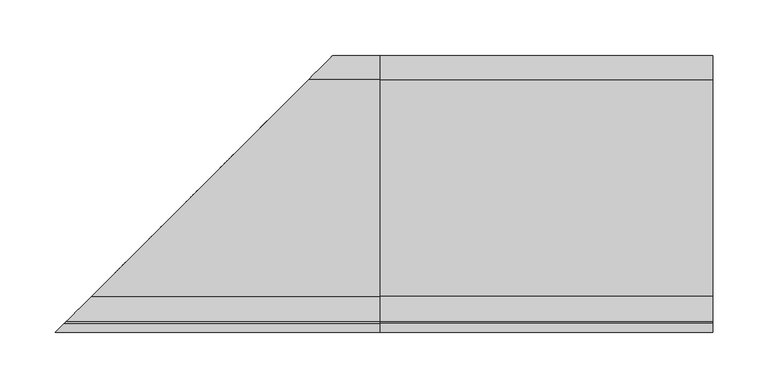
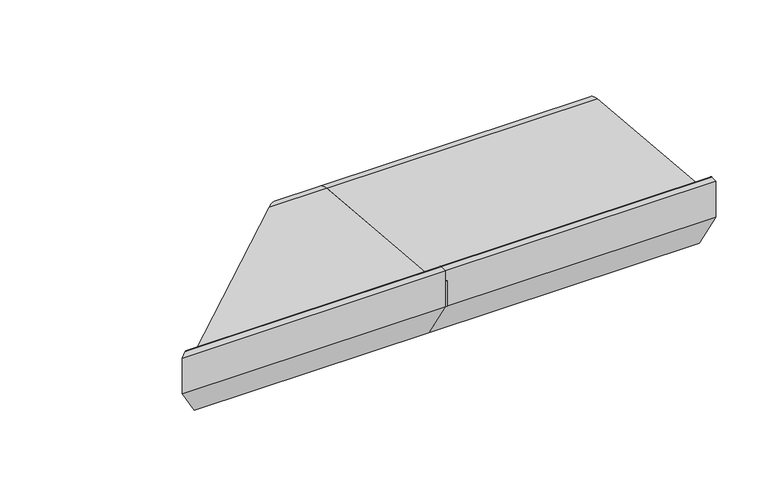
"""IFC4 building model written with IfcOpenShell, lengths in millimetres: proxy geometry."""

from ifc_helpers import new_model, si_unit, point, frame, frame_2d, origin, place, context, project, spatial, polyline, circle_curve, ellipse_curve, trimmed, segment, composite_curve, outline, extrude, source, transform, mapped, element, save
from ifc_brep_helpers import plane_surface, cylinder_surface, revolved_surface, advanced_brep


def generic_models_d1fe534b(model_context):
    return source(origin(), model_context, "Body", "SolidModel", [
        advanced_brep(
        [(0.0, 28.0858073, 50.4091909), (0.0, -167.5409218, 67.4754175), (0.0, -189.9303588, 90.1294924), (0.0, -191.9246962, 91.9790981), (0.0, -200.0, 91.9790981), (0.0, -200.0, 50.0), (0.0, -168.0, 0.0), (0.0, -156.0, 0.0), (0.0, -155.0, 1.0), (0.0, -155.0, 5.5), (0.0, -153.0, 7.5), (0.0, -130.0, 7.5), (0.0, -128.0, 5.5), (0.0, -128.0, 1.0), (0.0, -127.0, 0.0), (0.0, -104.0, 0.0), (0.0, -103.0, 1.0), (0.0, -103.0, 5.5), (0.0, -101.0, 7.5), (0.0, -78.0, 7.5), (0.0, -76.0, 5.5), (0.0, -76.0, 1.0), (0.0, -75.0, 0.0), (0.0, -52.0, 0.0), (0.0, -51.0, 1.0), (0.0, -51.0, 5.5), (0.0, -49.0, 7.5), (0.0, -26.0, 7.5), (0.0, -24.0, 5.5), (0.0, -24.0, 1.0), (0.0, -23.0, 0.0), (0.0, -0.5773503, 0.0), (0.0, 0.2886751, 0.5), (0.0, 3.7527767, 6.5), (0.0, 5.4848276, 7.5), (0.0, 21.9585481, 7.5), (0.0, 23.6905989, 6.5), (0.0, 25.7072001, 3.0071443), (0.0, 26.5981483, 2.5074549), (0.0, -21.5, 20.9289), (0.0, -21.5, 28.9289), (0.0, -9.5, 28.9289), (0.0, -9.5, 20.9289), (0.0, -39.5, 27.333), (0.0, -51.5, 27.333), (0.0, -72.0, 30.0), (0.0, -84.0, 30.0), (0.0, -104.5, 32.667), (0.0, -116.5, 32.667), (0.0, -137.0, 35.334), (0.0, -149.0, 35.334), (-63.9141927, 28.0858073, 50.4091909), (-259.5409218, -167.5409218, 67.4754175), (-281.9303588, -189.9303588, 90.1294924), (-283.9246962, -191.9246962, 91.9790981), (-292.0, -200.0, 91.9790981), (-292.0, -200.0, 50.0), (-260.0, -168.0, 0.0), (-248.0, -156.0, 0.0), (-247.0, -155.0, 1.0), (-247.0, -155.0, 5.5), (-245.0, -153.0, 7.5), (-222.0, -130.0, 7.5), (-220.0, -128.0, 5.5), (-220.0, -128.0, 1.0), (-219.0, -127.0, 0.0), (-196.0, -104.0, 0.0), (-195.0, -103.0, 1.0), (-195.0, -103.0, 5.5), (-193.0, -101.0, 7.5), (-170.0, -78.0, 7.5), (-168.0, -76.0, 5.5), (-168.0, -76.0, 1.0), (-167.0, -75.0, 0.0), (-144.0, -52.0, 0.0), (-143.0, -51.0, 1.0), (-143.0, -51.0, 5.5), (-141.0, -49.0, 7.5), (-118.0, -26.0, 7.5), (-116.0, -24.0, 5.5), (-116.0, -24.0, 1.0), (-115.0, -23.0, 0.0), (-92.5773503, -0.5773503, 0.0), (-91.7113249, 0.2886751, 0.5), (-88.2472233, 3.7527767, 6.5), (-86.5151724, 5.4848276, 7.5), (-70.0414519, 21.9585481, 7.5), (-68.3094011, 23.6905989, 6.5), (-66.2927999, 25.7072001, 3.0071443), (-65.4018517, 26.5981483, 2.5074549), (-113.5, -21.5, 20.9289), (-113.5, -21.5, 28.9289), (-101.5, -9.5, 28.9289), (-101.5, -9.5, 20.9289), (-131.5, -39.5, 27.333), (-143.5, -51.5, 27.333), (-164.0, -72.0, 30.0), (-176.0, -84.0, 30.0), (-196.5, -104.5, 32.667), (-208.5, -116.5, 32.667), (-229.0, -137.0, 35.334), (-241.0, -149.0, 35.334)],
        [
            (0, 1),
            (1, 2, circle_curve(frame((0.0, -165.4032519, 91.9790985), z_axis=(-1.0, 0.0, 0.0), x_axis=(0.0, -0.08690863944627705, -0.9962162859487879)), 24.5967481)),
            (2, 3, circle_curve(frame((0.0, -191.9246962, 89.9790981), z_axis=(1.0, 0.0, 0.0), x_axis=(0.0, 0.9971686839008461, 0.07519717978391492)), 2.0)),
            (3, 4),
            (4, 5),
            (5, 6),
            (6, 7),
            (7, 8, circle_curve(frame((0.0, -156.0, 1.0), z_axis=(1.0, 0.0, 0.0), x_axis=(0.0, 1.0, 0.0)), 1.0)),
            (8, 9),
            (9, 10, circle_curve(frame((0.0, -153.0, 5.5), z_axis=(-1.0, 0.0, 0.0), x_axis=(0.0, -1.0, 0.0)), 2.0)),
            (10, 11),
            (11, 12, circle_curve(frame((0.0, -130.0, 5.5), z_axis=(-1.0, 0.0, 0.0), x_axis=(0.0, 0.0, 1.0)), 2.0)),
            (12, 13),
            (13, 14, circle_curve(frame((0.0, -127.0, 1.0), z_axis=(1.0, 0.0, 0.0), x_axis=(0.0, -1.0, 0.0)), 1.0)),
            (14, 15),
            (15, 16, circle_curve(frame((0.0, -104.0, 1.0), z_axis=(1.0, 0.0, 0.0), x_axis=(0.0, 0.0, -1.0)), 1.0)),
            (16, 17),
            (17, 18, circle_curve(frame((0.0, -101.0, 5.5), z_axis=(-1.0, 0.0, 0.0), x_axis=(0.0, -1.0, 0.0)), 2.0)),
            (18, 19),
            (19, 20, circle_curve(frame((0.0, -78.0, 5.5), z_axis=(-1.0, 0.0, 0.0), x_axis=(0.0, 0.0, 1.0)), 2.0)),
            (20, 21),
            (21, 22, circle_curve(frame((0.0, -75.0, 1.0), z_axis=(1.0, 0.0, 0.0), x_axis=(0.0, -1.0, 0.0)), 1.0)),
            (22, 23),
            (23, 24, circle_curve(frame((0.0, -52.0, 1.0), z_axis=(1.0, 0.0, 0.0), x_axis=(0.0, 0.0, -1.0)), 1.0)),
            (24, 25),
            (25, 26, circle_curve(frame((0.0, -49.0, 5.5), z_axis=(-1.0, 0.0, 0.0), x_axis=(0.0, -1.0, 0.0)), 2.0)),
            (26, 27),
            (27, 28, circle_curve(frame((0.0, -26.0, 5.5), z_axis=(-1.0, 0.0, 0.0), x_axis=(0.0, 0.0, 1.0)), 2.0)),
            (28, 29),
            (29, 30, circle_curve(frame((0.0, -23.0, 1.0), z_axis=(1.0, 0.0, 0.0), x_axis=(0.0, -1.0, 0.0)), 1.0)),
            (30, 31),
            (31, 32, circle_curve(frame((0.0, -0.5773503, 1.0), z_axis=(1.0, 0.0, 0.0), x_axis=(0.0, 0.0, -1.0)), 1.0)),
            (32, 33),
            (33, 34, circle_curve(frame((0.0, 5.4848276, 5.5), z_axis=(-1.0, 0.0, 0.0), x_axis=(0.0, -0.8660254037844424, 0.4999999999999936)), 2.0)),
            (34, 35),
            (35, 36, circle_curve(frame((0.0, 21.9585481, 5.5), z_axis=(-1.0, 0.0, 0.0), x_axis=(0.0, 0.0, 1.0)), 2.0)),
            (36, 37),
            (37, 38, circle_curve(frame((0.0, 26.5732255, 3.5071443), z_axis=(1.0, 0.0, 0.0), x_axis=(0.0, -0.8660254037844268, -0.5000000000000207)), 1.0)),
            (38, 0, circle_curve(frame((0.0, 26.0, 26.5), z_axis=(1.0, 0.0, 0.0), x_axis=(0.0, 0.02492284768405477, -0.9996893775885175)), 24.0)),
            (39, 40),
            (40, 41),
            (41, 42),
            (42, 39),
            (43, 44, circle_curve(frame((0.0, -45.5, 27.333), z_axis=(-1.0, 0.0, 0.0), x_axis=(0.0, -1.0, 0.0)), 6.0)),
            (44, 43, circle_curve(frame((0.0, -45.5, 27.333), z_axis=(-1.0, 0.0, 0.0), x_axis=(0.0, -1.0, 0.0)), 6.0)),
            (45, 46, circle_curve(frame((0.0, -78.0, 30.0), z_axis=(-1.0, 0.0, 0.0), x_axis=(0.0, -1.0, 0.0)), 6.0)),
            (46, 45, circle_curve(frame((0.0, -78.0, 30.0), z_axis=(-1.0, 0.0, 0.0), x_axis=(0.0, -1.0, 0.0)), 6.0)),
            (47, 48, circle_curve(frame((0.0, -110.5, 32.667), z_axis=(-1.0, 0.0, 0.0), x_axis=(0.0, -1.0, 0.0)), 6.0)),
            (48, 47, circle_curve(frame((0.0, -110.5, 32.667), z_axis=(-1.0, 0.0, 0.0), x_axis=(0.0, -1.0, 0.0)), 6.0)),
            (49, 50, circle_curve(frame((0.0, -143.0, 35.334), z_axis=(-1.0, 0.0, 0.0), x_axis=(0.0, -1.0, 0.0)), 6.0)),
            (50, 49, circle_curve(frame((0.0, -143.0, 35.334), z_axis=(-1.0, 0.0, 0.0), x_axis=(0.0, -1.0, 0.0)), 6.0)),
            (0, 51),
            (51, 52),
            (52, 1),
            (52, 53, ellipse_curve(frame((-257.4032519, -165.4032519, 91.9790985), z_axis=(-0.7071067811865469, 0.7071067811865481, 0.0), x_axis=(0.7071067811865481, 0.7071067811865469, 0.0)), 34.7850548, 24.5967481)),
            (53, 2),
            (53, 54, ellipse_curve(frame((-283.9246962, -191.9246962, 89.9790981), z_axis=(0.7071067811865469, -0.7071067811865481, 0.0), x_axis=(-0.7071067811865481, -0.7071067811865469, 0.0)), 2.8284271, 2.0)),
            (54, 3),
            (54, 55),
            (55, 4),
            (55, 56),
            (56, 5),
            (56, 57),
            (57, 6),
            (57, 58),
            (58, 7),
            (58, 59, ellipse_curve(frame((-248.0, -156.0, 1.0), z_axis=(0.7071067811865469, -0.7071067811865481, 0.0), x_axis=(-0.7071067811865481, -0.7071067811865469, 0.0)), 1.4142136, 1.0)),
            (59, 8),
            (59, 60),
            (60, 9),
            (60, 61, ellipse_curve(frame((-245.0, -153.0, 5.5), z_axis=(-0.7071067811865469, 0.7071067811865481, 0.0), x_axis=(0.7071067811865481, 0.7071067811865469, 0.0)), 2.8284271, 2.0)),
            (61, 10),
            (61, 62),
            (62, 11),
            (62, 63, ellipse_curve(frame((-222.0, -130.0, 5.5), z_axis=(-0.7071067811865469, 0.7071067811865481, 0.0), x_axis=(0.7071067811865481, 0.7071067811865469, 0.0)), 2.8284271, 2.0)),
            (63, 12),
            (63, 64),
            (64, 13),
            (64, 65, ellipse_curve(frame((-219.0, -127.0, 1.0), z_axis=(0.7071067811865469, -0.7071067811865481, 0.0), x_axis=(-0.7071067811865481, -0.7071067811865469, 0.0)), 1.4142136, 1.0)),
            (65, 14),
            (65, 66),
            (66, 15),
            (66, 67, ellipse_curve(frame((-196.0, -104.0, 1.0), z_axis=(0.7071067811865469, -0.7071067811865481, 0.0), x_axis=(-0.7071067811865481, -0.7071067811865469, 0.0)), 1.4142136, 1.0)),
            (67, 16),
            (67, 68),
            (68, 17),
            (68, 69, ellipse_curve(frame((-193.0, -101.0, 5.5), z_axis=(-0.7071067811865469, 0.7071067811865481, 0.0), x_axis=(0.7071067811865481, 0.7071067811865469, 0.0)), 2.8284271, 2.0)),
            (69, 18),
            (69, 70),
            (70, 19),
            (70, 71, ellipse_curve(frame((-170.0, -78.0, 5.5), z_axis=(-0.7071067811865469, 0.7071067811865481, 0.0), x_axis=(0.7071067811865481, 0.7071067811865469, 0.0)), 2.8284271, 2.0)),
            (71, 20),
            (71, 72),
            (72, 21),
            (72, 73, ellipse_curve(frame((-167.0, -75.0, 1.0), z_axis=(0.7071067811865469, -0.7071067811865481, 0.0), x_axis=(-0.7071067811865481, -0.7071067811865469, 0.0)), 1.4142136, 1.0)),
            (73, 22),
            (73, 74),
            (74, 23),
            (74, 75, ellipse_curve(frame((-144.0, -52.0, 1.0), z_axis=(0.7071067811865469, -0.7071067811865481, 0.0), x_axis=(-0.7071067811865481, -0.7071067811865469, 0.0)), 1.4142136, 1.0)),
            (75, 24),
            (75, 76),
            (76, 25),
            (76, 77, ellipse_curve(frame((-141.0, -49.0, 5.5), z_axis=(-0.7071067811865469, 0.7071067811865481, 0.0), x_axis=(0.7071067811865481, 0.7071067811865469, 0.0)), 2.8284271, 2.0)),
            (77, 26),
            (77, 78),
            (78, 27),
            (78, 79, ellipse_curve(frame((-118.0, -26.0, 5.5), z_axis=(-0.7071067811865469, 0.7071067811865481, 0.0), x_axis=(0.7071067811865481, 0.7071067811865469, 0.0)), 2.8284271, 2.0)),
            (79, 28),
            (79, 80),
            (80, 29),
            (80, 81, ellipse_curve(frame((-115.0, -23.0, 1.0), z_axis=(0.7071067811865469, -0.7071067811865481, 0.0), x_axis=(-0.7071067811865481, -0.7071067811865469, 0.0)), 1.4142136, 1.0)),
            (81, 30),
            (81, 82),
            (82, 31),
            (82, 83, ellipse_curve(frame((-92.5773503, -0.5773503, 1.0), z_axis=(0.7071067811865469, -0.7071067811865481, 0.0), x_axis=(-0.7071067811865481, -0.7071067811865469, 0.0)), 1.4142136, 1.0)),
            (83, 32),
            (83, 84),
            (84, 33),
            (84, 85, ellipse_curve(frame((-86.5151724, 5.4848276, 5.5), z_axis=(-0.7071067811865469, 0.7071067811865481, 0.0), x_axis=(0.7071067811865481, 0.7071067811865469, 0.0)), 2.8284271, 2.0)),
            (85, 34),
            (85, 86),
            (86, 35),
            (86, 87, ellipse_curve(frame((-70.0414519, 21.9585481, 5.5), z_axis=(-0.7071067811865469, 0.7071067811865481, 0.0), x_axis=(0.7071067811865481, 0.7071067811865469, 0.0)), 2.8284271, 2.0)),
            (87, 36),
            (87, 88),
            (88, 37),
            (88, 89, ellipse_curve(frame((-65.4267745, 26.5732255, 3.5071443), z_axis=(0.7071067811865469, -0.7071067811865481, 0.0), x_axis=(-0.7071067811865481, -0.7071067811865469, 0.0)), 1.4142136, 1.0)),
            (89, 38),
            (89, 51, ellipse_curve(frame((-66.0, 26.0, 26.5), z_axis=(0.7071067811865469, -0.7071067811865481, 0.0), x_axis=(-0.7071067811865481, -0.7071067811865469, 0.0)), 33.9411255, 24.0)),
            (39, 90),
            (90, 91),
            (91, 40),
            (91, 92),
            (92, 41),
            (92, 93),
            (93, 42),
            (93, 90),
            (43, 94),
            (94, 95, ellipse_curve(frame((-137.5, -45.5, 27.333), z_axis=(-0.7071067811865469, 0.7071067811865481, 0.0), x_axis=(0.7071067811865481, 0.7071067811865469, 0.0)), 8.4852814, 6.0)),
            (95, 44),
            (95, 94, ellipse_curve(frame((-137.5, -45.5, 27.333), z_axis=(-0.7071067811865469, 0.7071067811865481, 0.0), x_axis=(0.7071067811865481, 0.7071067811865469, 0.0)), 8.4852814, 6.0)),
            (45, 96),
            (96, 97, ellipse_curve(frame((-170.0, -78.0, 30.0), z_axis=(-0.7071067811865469, 0.7071067811865481, 0.0), x_axis=(0.7071067811865481, 0.7071067811865469, 0.0)), 8.4852814, 6.0)),
            (97, 46),
            (97, 96, ellipse_curve(frame((-170.0, -78.0, 30.0), z_axis=(-0.7071067811865469, 0.7071067811865481, 0.0), x_axis=(0.7071067811865481, 0.7071067811865469, 0.0)), 8.4852814, 6.0)),
            (47, 98),
            (98, 99, ellipse_curve(frame((-202.5, -110.5, 32.667), z_axis=(-0.7071067811865469, 0.7071067811865481, 0.0), x_axis=(0.7071067811865481, 0.7071067811865469, 0.0)), 8.4852814, 6.0)),
            (99, 48),
            (99, 98, ellipse_curve(frame((-202.5, -110.5, 32.667), z_axis=(-0.7071067811865469, 0.7071067811865481, 0.0), x_axis=(0.7071067811865481, 0.7071067811865469, 0.0)), 8.4852814, 6.0)),
            (49, 100),
            (100, 101, ellipse_curve(frame((-235.0, -143.0, 35.334), z_axis=(-0.7071067811865469, 0.7071067811865481, 0.0), x_axis=(0.7071067811865481, 0.7071067811865469, 0.0)), 8.4852814, 6.0)),
            (101, 50),
            (101, 100, ellipse_curve(frame((-235.0, -143.0, 35.334), z_axis=(-0.7071067811865469, 0.7071067811865481, 0.0), x_axis=(0.7071067811865481, 0.7071067811865469, 0.0)), 8.4852814, 6.0)),
        ],
        [
            plane_surface(frame((0.0, 0.0, 0.0), z_axis=(1.0, 0.0, 0.0), x_axis=(0.0, 0.0, 1.0))),
            plane_surface(frame((-292.0, -167.5409218, 67.4754175), z_axis=(0.0, 0.08690863944627716, 0.9962162859487879), x_axis=(1.0, 0.0, 0.0))),
            revolved_surface(polyline([(0.0, -167.5409218121738, 67.4754174614001), (-282.0000000330257, -167.5409218121738, 67.4754174614001)]), (-292.0, -165.4032519, 91.9790985), (1.0, 0.0, 0.0)),
            cylinder_surface(frame((-292.0, -191.9246962, 89.9790981), z_axis=(-1.0, 0.0, 0.0), x_axis=(0.0, 0.9971686839008461, 0.07519717978391492)), 2.0),
            plane_surface(frame((-292.0, -200.0, 91.9790981), z_axis=(0.0, 0.0, 1.0), x_axis=(1.0, 0.0, 0.0))),
            plane_surface(frame((-292.0, -200.0, 50.0), z_axis=(0.0, -1.0, 0.0), x_axis=(1.0, 0.0, 0.0))),
            plane_surface(frame((-292.0, -168.0, 0.0), z_axis=(0.0, -0.8422714006615114, -0.5390536964233673), x_axis=(1.0, 0.0, 0.0))),
            plane_surface(frame((-292.0, -156.0, 0.0), z_axis=(0.0, 0.0, -1.0), x_axis=(1.0, 0.0, 0.0))),
            cylinder_surface(frame((-292.0, -156.0, 1.0), z_axis=(-1.0, 0.0, 0.0), x_axis=(0.0, 1.0, 0.0)), 1.0),
            plane_surface(frame((-292.0, -155.0, 5.5), z_axis=(0.0, 1.0, 0.0), x_axis=(1.0, 0.0, 0.0))),
            revolved_surface(polyline([(0.0, -155.0, 5.5), (-247.0, -155.0, 5.5)]), (-292.0, -153.0, 5.5), (1.0, 0.0, 0.0)),
            plane_surface(frame((-292.0, -130.0, 7.5), z_axis=(0.0, 0.0, -1.0), x_axis=(1.0, 0.0, 0.0))),
            revolved_surface(polyline([(0.0, -130.0, 7.5), (-223.9999999825018, -130.0, 7.5)]), (-292.0, -130.0, 5.5), (1.0, 0.0, 0.0)),
            plane_surface(frame((-292.0, -128.0, 1.0), z_axis=(0.0, -1.0, 0.0), x_axis=(1.0, 0.0, 0.0))),
            cylinder_surface(frame((-292.0, -127.0, 1.0), z_axis=(-1.0, 0.0, 0.0), x_axis=(0.0, -1.0, 0.0)), 1.0),
            plane_surface(frame((-292.0, -104.0, 0.0), z_axis=(0.0, 0.0, -1.0), x_axis=(1.0, 0.0, 0.0))),
            cylinder_surface(frame((-292.0, -104.0, 1.0), z_axis=(-1.0, 0.0, 0.0), x_axis=(0.0, 0.0, -1.0)), 1.0),
            plane_surface(frame((-292.0, -103.0, 5.5), z_axis=(0.0, 1.0, 0.0), x_axis=(1.0, 0.0, 0.0))),
            revolved_surface(polyline([(0.0, -103.0, 5.5), (-195.0, -103.0, 5.5)]), (-292.0, -101.0, 5.5), (1.0, 0.0, 0.0)),
            plane_surface(frame((-292.0, -78.0, 7.5), z_axis=(0.0, 0.0, -1.0), x_axis=(1.0, 0.0, 0.0))),
            revolved_surface(polyline([(0.0, -78.0, 7.5), (-171.9999999825018, -78.0, 7.5)]), (-292.0, -78.0, 5.5), (1.0, 0.0, 0.0)),
            plane_surface(frame((-292.0, -76.0, 1.0), z_axis=(0.0, -1.0, 0.0), x_axis=(1.0, 0.0, 0.0))),
            cylinder_surface(frame((-292.0, -75.0, 1.0), z_axis=(-1.0, 0.0, 0.0), x_axis=(0.0, -1.0, 0.0)), 1.0),
            plane_surface(frame((-292.0, -52.0, 0.0), z_axis=(0.0, 0.0, -1.0), x_axis=(1.0, 0.0, 0.0))),
            cylinder_surface(frame((-292.0, -52.0, 1.0), z_axis=(-1.0, 0.0, 0.0), x_axis=(0.0, 0.0, -1.0)), 1.0),
            plane_surface(frame((-292.0, -51.0, 5.5), z_axis=(0.0, 1.0, 0.0), x_axis=(1.0, 0.0, 0.0))),
            revolved_surface(polyline([(0.0, -51.0, 5.5), (-143.0, -51.0, 5.5)]), (-292.0, -49.0, 5.5), (1.0, 0.0, 0.0)),
            plane_surface(frame((-292.0, -26.0, 7.5), z_axis=(0.0, 0.0, -1.0), x_axis=(1.0, 0.0, 0.0))),
            revolved_surface(polyline([(0.0, -26.0, 7.5), (-119.9999999825018, -26.0, 7.5)]), (-292.0, -26.0, 5.5), (1.0, 0.0, 0.0)),
            plane_surface(frame((-292.0, -24.0, 1.0), z_axis=(0.0, -1.0, 0.0), x_axis=(1.0, 0.0, 0.0))),
            cylinder_surface(frame((-292.0, -23.0, 1.0), z_axis=(-1.0, 0.0, 0.0), x_axis=(0.0, -1.0, 0.0)), 1.0),
            plane_surface(frame((-292.0, -0.5773503, 0.0), z_axis=(0.0, 0.0, -1.0), x_axis=(1.0, 0.0, 0.0))),
            cylinder_surface(frame((-292.0, -0.5773503, 1.0), z_axis=(-1.0, 0.0, 0.0), x_axis=(0.0, 0.0, -1.0)), 1.0),
            plane_surface(frame((-292.0, 3.7527767, 6.5), z_axis=(0.0, 0.8660254037844367, -0.5000000000000034), x_axis=(1.0, 0.0, 0.0))),
            revolved_surface(polyline([(0.0, 3.7527767924311153, 6.499999999999988), (-88.51517238250179, 3.7527767924311153, 6.499999999999988)]), (-292.0, 5.4848276, 5.5), (1.0, 0.0, 0.0)),
            plane_surface(frame((-292.0, 21.9585481, 7.5), z_axis=(0.0, 0.0, -1.0), x_axis=(1.0, 0.0, 0.0))),
            revolved_surface(polyline([(0.0, 21.9585481, 7.5), (-72.0414518825018, 21.9585481, 7.5)]), (-292.0, 21.9585481, 5.5), (1.0, 0.0, 0.0)),
            plane_surface(frame((-292.0, 25.7072001, 3.0071443), z_axis=(0.0, -0.8660254037844396, -0.4999999999999985), x_axis=(1.0, 0.0, 0.0))),
            cylinder_surface(frame((-292.0, 26.5732255, 3.5071443), z_axis=(-1.0000000000000002, 0.0, 0.0), x_axis=(0.0, -0.8660254037844268, -0.5000000000000207)), 1.0),
            cylinder_surface(frame((-292.0, 26.0, 26.5), z_axis=(-1.0000000000000002, 0.0, 0.0), x_axis=(0.0, 0.02492284768405477, -0.9996893775885175)), 24.0),
            plane_surface(frame((-292.0, -21.5, 28.9289), z_axis=(0.0, 1.0, 0.0), x_axis=(1.0, 0.0, 0.0))),
            plane_surface(frame((-292.0, -9.5, 28.9289), z_axis=(0.0, 0.0, -1.0), x_axis=(1.0, 0.0, 0.0))),
            plane_surface(frame((-292.0, -9.5, 20.9289), z_axis=(0.0, -1.0, 0.0), x_axis=(1.0, 0.0, 0.0))),
            plane_surface(frame((-292.0, -21.5, 20.9289), z_axis=(0.0, 0.0, 1.0), x_axis=(1.0, 0.0, 0.0))),
            revolved_surface(polyline([(0.0, -51.5, 27.333), (-143.5000000182161, -51.5, 27.333)]), (-292.0, -45.5, 27.333), (1.0, 0.0, 0.0)),
            revolved_surface(polyline([(0.0, -84.0, 30.0), (-176.0000000182161, -84.0, 30.0)]), (-292.0, -78.0, 30.0), (1.0, 0.0, 0.0)),
            revolved_surface(polyline([(0.0, -116.5, 32.667), (-208.5000000182161, -116.5, 32.667)]), (-292.0, -110.5, 32.667), (1.0, 0.0, 0.0)),
            revolved_surface(polyline([(0.0, -149.0, 35.334), (-241.0000000182161, -149.0, 35.334)]), (-292.0, -143.0, 35.334), (1.0, 0.0, 0.0)),
            plane_surface(frame((-337.9619408, -245.9619408, 0.0), z_axis=(-0.7071067811865469, 0.7071067811865481, 0.0), x_axis=(0.7071067811865481, 0.7071067811865469, 0.0))),
        ],
        [
            (0, [[1, 2, 3, 4, 5, 6, 7, 8, 9, 10, 11, 12, 13, 14, 15, 16, 17, 18, 19, 20, 21, 22, 23, 24, 25, 26, 27, 28, 29, 30, 31, 32, 33, 34, 35, 36, 37, 38, 39], [40, 41, 42, 43], [44, 45], [46, 47], [48, 49], [50, 51]]),
            (1, [[-1, 52, 53, 54]]),
            (2, [[-2, -54, 55, 56]]),
            (3, [[-3, -56, 57, 58]]),
            (4, [[-4, -58, 59, 60]]),
            (5, [[-5, -60, 61, 62]]),
            (6, [[-6, -62, 63, 64]]),
            (7, [[-7, -64, 65, 66]]),
            (8, [[-8, -66, 67, 68]]),
            (9, [[-9, -68, 69, 70]]),
            (10, [[-10, -70, 71, 72]]),
            (11, [[-11, -72, 73, 74]]),
            (12, [[-12, -74, 75, 76]]),
            (13, [[-13, -76, 77, 78]]),
            (14, [[-14, -78, 79, 80]]),
            (15, [[-15, -80, 81, 82]]),
            (16, [[-16, -82, 83, 84]]),
            (17, [[-17, -84, 85, 86]]),
            (18, [[-18, -86, 87, 88]]),
            (19, [[-19, -88, 89, 90]]),
            (20, [[-20, -90, 91, 92]]),
            (21, [[-21, -92, 93, 94]]),
            (22, [[-22, -94, 95, 96]]),
            (23, [[-23, -96, 97, 98]]),
            (24, [[-24, -98, 99, 100]]),
            (25, [[-25, -100, 101, 102]]),
            (26, [[-26, -102, 103, 104]]),
            (27, [[-27, -104, 105, 106]]),
            (28, [[-28, -106, 107, 108]]),
            (29, [[-29, -108, 109, 110]]),
            (30, [[-30, -110, 111, 112]]),
            (31, [[-31, -112, 113, 114]]),
            (32, [[-32, -114, 115, 116]]),
            (33, [[-33, -116, 117, 118]]),
            (34, [[-34, -118, 119, 120]]),
            (35, [[-35, -120, 121, 122]]),
            (36, [[-36, -122, 123, 124]]),
            (37, [[-37, -124, 125, 126]]),
            (38, [[-38, -126, 127, 128]]),
            (39, [[-39, -128, 129, -52]]),
            (40, [[-40, 130, 131, 132]]),
            (41, [[-41, -132, 133, 134]]),
            (42, [[-42, -134, 135, 136]]),
            (43, [[-43, -136, 137, -130]]),
            (44, [[-44, 138, 139, 140]]),
            (44, [[-45, -140, 141, -138]]),
            (45, [[-46, 142, 143, 144]]),
            (45, [[-47, -144, 145, -142]]),
            (46, [[-48, 146, 147, 148]]),
            (46, [[-49, -148, 149, -146]]),
            (47, [[-50, 150, 151, 152]]),
            (47, [[-51, -152, 153, -150]]),
            (48, [[-53, -129, -127, -125, -123, -121, -119, -117, -115, -113, -111, -109, -107, -105, -103, -101, -99, -97, -95, -93, -91, -89, -87, -85, -83, -81, -79, -77, -75, -73, -71, -69, -67, -65, -63, -61, -59, -57, -55], [-131, -137, -135, -133], [-139, -141], [-143, -145], [-147, -149], [-151, -153]]),
        ],
    ),
        extrude(outline(polyline([(0.0, -200.0), (0.0, -198.0), (2.0, -198.0), (2.0, -200.0), (0.0, -200.0)])), frame((0.0, 0.0, 50.0), z_axis=(0.0, 0.0, 1.0), x_axis=(1.0, 0.0, 0.0)), (0.0, 0.0, 1.0), 30.0),
        extrude(outline(composite_curve([segment(trimmed(circle_curve(frame_2d((26.0, 26.5)), 24.0), [point((28.0858073, 50.4091909))], [point((26.5981483, 2.5074549))], False, "CARTESIAN"), True, "CONTINUOUS"), segment(trimmed(circle_curve(frame_2d((26.5732255, 3.5071443)), 1.0), [point((26.5981483, 2.5074549))], [point((25.7072001, 3.0071443))], False, "CARTESIAN"), True, "CONTINUOUS"), segment(polyline([(25.7072001, 3.0071443), (23.6905989, 6.5)]), True, "CONTINUOUS"), segment(trimmed(circle_curve(frame_2d((21.9585481, 5.5)), 2.0), [point((23.6905989, 6.5))], [point((21.9585481, 7.5))], True, "CARTESIAN"), True, "CONTINUOUS"), segment(polyline([(21.9585481, 7.5), (5.4848276, 7.5)]), True, "CONTINUOUS"), segment(trimmed(circle_curve(frame_2d((5.4848276, 5.5)), 2.0), [point((5.4848276, 7.5))], [point((3.7527767, 6.5))], True, "CARTESIAN"), True, "CONTINUOUS"), segment(polyline([(3.7527767, 6.5), (0.2886751, 0.5)]), True, "CONTINUOUS"), segment(trimmed(circle_curve(frame_2d((-0.5773503, 1.0)), 1.0), [point((0.2886751, 0.5))], [point((-0.5773503, 0.0))], False, "CARTESIAN"), True, "CONTINUOUS"), segment(polyline([(-0.5773503, 0.0), (-23.0, 0.0)]), True, "CONTINUOUS"), segment(trimmed(circle_curve(frame_2d((-23.0, 1.0)), 1.0), [point((-23.0, 0.0))], [point((-24.0, 1.0))], False, "CARTESIAN"), True, "CONTINUOUS"), segment(polyline([(-24.0, 1.0), (-24.0, 5.5)]), True, "CONTINUOUS"), segment(trimmed(circle_curve(frame_2d((-26.0, 5.5)), 2.0), [point((-24.0, 5.5))], [point((-26.0, 7.5))], True, "CARTESIAN"), True, "CONTINUOUS"), segment(polyline([(-26.0, 7.5), (-49.0, 7.5)]), True, "CONTINUOUS"), segment(trimmed(circle_curve(frame_2d((-49.0, 5.5)), 2.0), [point((-49.0, 7.5))], [point((-51.0, 5.5))], True, "CARTESIAN"), True, "CONTINUOUS"), segment(polyline([(-51.0, 5.5), (-51.0, 1.0)]), True, "CONTINUOUS"), segment(trimmed(circle_curve(frame_2d((-52.0, 1.0)), 1.0), [point((-51.0, 1.0))], [point((-52.0, 0.0))], False, "CARTESIAN"), True, "CONTINUOUS"), segment(polyline([(-52.0, 0.0), (-75.0, 0.0)]), True, "CONTINUOUS"), segment(trimmed(circle_curve(frame_2d((-75.0, 1.0)), 1.0), [point((-75.0, 0.0))], [point((-76.0, 1.0))], False, "CARTESIAN"), True, "CONTINUOUS"), segment(polyline([(-76.0, 1.0), (-76.0, 5.5)]), True, "CONTINUOUS"), segment(trimmed(circle_curve(frame_2d((-78.0, 5.5)), 2.0), [point((-76.0, 5.5))], [point((-78.0, 7.5))], True, "CARTESIAN"), True, "CONTINUOUS"), segment(polyline([(-78.0, 7.5), (-101.0, 7.5)]), True, "CONTINUOUS"), segment(trimmed(circle_curve(frame_2d((-101.0, 5.5)), 2.0), [point((-101.0, 7.5))], [point((-103.0, 5.5))], True, "CARTESIAN"), True, "CONTINUOUS"), segment(polyline([(-103.0, 5.5), (-103.0, 1.0)]), True, "CONTINUOUS"), segment(trimmed(circle_curve(frame_2d((-104.0, 1.0)), 1.0), [point((-103.0, 1.0))], [point((-104.0, 0.0))], False, "CARTESIAN"), True, "CONTINUOUS"), segment(polyline([(-104.0, 0.0), (-127.0, 0.0)]), True, "CONTINUOUS"), segment(trimmed(circle_curve(frame_2d((-127.0, 1.0)), 1.0), [point((-127.0, 0.0))], [point((-128.0, 1.0))], False, "CARTESIAN"), True, "CONTINUOUS"), segment(polyline([(-128.0, 1.0), (-128.0, 5.5)]), True, "CONTINUOUS"), segment(trimmed(circle_curve(frame_2d((-130.0, 5.5)), 2.0), [point((-128.0, 5.5))], [point((-130.0, 7.5))], True, "CARTESIAN"), True, "CONTINUOUS"), segment(polyline([(-130.0, 7.5), (-153.0, 7.5)]), True, "CONTINUOUS"), segment(trimmed(circle_curve(frame_2d((-153.0, 5.5)), 2.0), [point((-153.0, 7.5))], [point((-155.0, 5.5))], True, "CARTESIAN"), True, "CONTINUOUS"), segment(polyline([(-155.0, 5.5), (-155.0, 1.0)]), True, "CONTINUOUS"), segment(trimmed(circle_curve(frame_2d((-156.0, 1.0)), 1.0), [point((-155.0, 1.0))], [point((-156.0, 0.0))], False, "CARTESIAN"), True, "CONTINUOUS"), segment(polyline([(-156.0, 0.0), (-168.0, 0.0), (-200.0, 50.0), (-200.0, 91.9790981), (-191.9246962, 91.9790981)]), True, "CONTINUOUS"), segment(trimmed(circle_curve(frame_2d((-191.9246962, 89.9790981)), 2.0), [point((-191.9246962, 91.9790981))], [point((-189.9303588, 90.1294924))], False, "CARTESIAN"), True, "CONTINUOUS"), segment(trimmed(circle_curve(frame_2d((-165.4032519, 91.9790985)), 24.5967481), [point((-189.9303588, 90.1294924))], [point((-167.5409218, 67.4754175))], True, "CARTESIAN"), True, "CONTINUOUS"), segment(polyline([(-167.5409218, 67.4754175), (28.0858073, 50.4091909)]), True, "CONTINUOUS")], self_intersect=False), holes=[polyline([(-21.5, 20.9289), (-9.5, 20.9289), (-9.5, 28.9289), (-21.5, 28.9289), (-21.5, 20.9289)]), composite_curve([segment(trimmed(circle_curve(frame_2d((-45.5, 27.333)), 6.0), [point((-51.5, 27.333))], [point((-39.5, 27.333))], True, "CARTESIAN"), True, "CONTINUOUS"), segment(trimmed(circle_curve(frame_2d((-45.5, 27.333)), 6.0), [point((-39.5, 27.333))], [point((-51.5, 27.333))], True, "CARTESIAN"), True, "CONTINUOUS")], self_intersect=False), composite_curve([segment(trimmed(circle_curve(frame_2d((-78.0, 30.0)), 6.0), [point((-84.0, 30.0))], [point((-72.0, 30.0))], True, "CARTESIAN"), True, "CONTINUOUS"), segment(trimmed(circle_curve(frame_2d((-78.0, 30.0)), 6.0), [point((-72.0, 30.0))], [point((-84.0, 30.0))], True, "CARTESIAN"), True, "CONTINUOUS")], self_intersect=False), composite_curve([segment(trimmed(circle_curve(frame_2d((-110.5, 32.667)), 6.0), [point((-116.5, 32.667))], [point((-104.5, 32.667))], True, "CARTESIAN"), True, "CONTINUOUS"), segment(trimmed(circle_curve(frame_2d((-110.5, 32.667)), 6.0), [point((-104.5, 32.667))], [point((-116.5, 32.667))], True, "CARTESIAN"), True, "CONTINUOUS")], self_intersect=False), composite_curve([segment(trimmed(circle_curve(frame_2d((-143.0, 35.334)), 6.0), [point((-149.0, 35.334))], [point((-137.0, 35.334))], True, "CARTESIAN"), True, "CONTINUOUS"), segment(trimmed(circle_curve(frame_2d((-143.0, 35.334)), 6.0), [point((-137.0, 35.334))], [point((-149.0, 35.334))], True, "CARTESIAN"), True, "CONTINUOUS")], self_intersect=False)]), frame((0.0, 0.0, 0.0), z_axis=(1.0, 0.0, 0.0), x_axis=(0.0, 1.0, 0.0)), (0.0, 0.0, 1.0), 300.0),
    ])


if __name__ == "__main__":
    model = new_model("IFC4")
    model_context = context("Model", 3, world=origin())
    ifc_project = project(units=[si_unit("LENGTHUNIT", "METRE", prefix="MILLI")], contexts=[model_context])
    site = spatial("IfcSite", under=ifc_project)
    building = spatial("IfcBuilding", under=site)
    placement = place(None, origin())
    generic_models_shape = generic_models_d1fe534b(model_context)
    element("IfcBuildingElementProxy", 1, Name="Generic Models", at=placement, inside=building, context=model_context, shape_type="MappedRepresentation", body=[
        mapped(generic_models_shape, transform((0.0, 0.0, 0.0), x_axis=(1.0, 0.0, 0.0), y_axis=(0.0, 1.0, 0.0), z_axis=(0.0, 0.0, 1.0))),
    ])
    save(model, "model.ifc")
